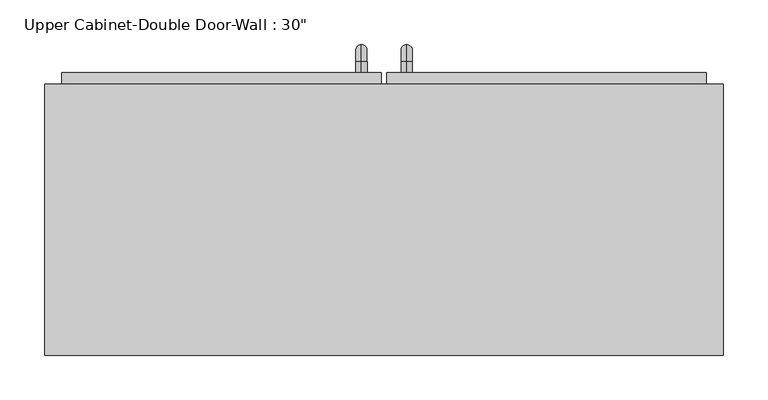
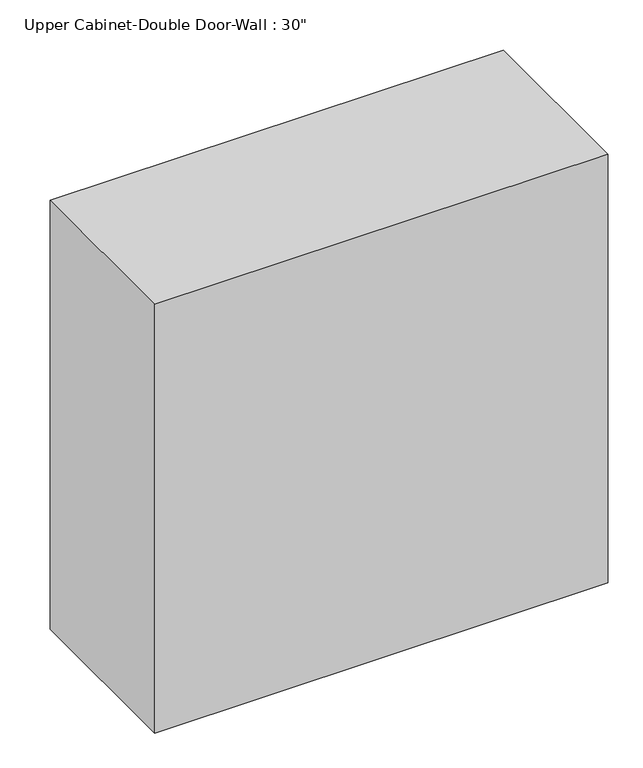
"""IFC4 building model written with IfcOpenShell, lengths in millimetres: furniture geometry."""

from ifc_helpers import new_model, si_unit, point, frame, origin, place, context, project, spatial, polyline, circle_curve, ellipse_curve, trimmed, outline, extrude, faceted_brep, source, transform, mapped, element, save
from ifc_brep_helpers import plane_surface, cylinder_surface, revolved_surface, advanced_brep


def furniture_5cbfb67e(model_context):
    return source(origin(), model_context, "Body", "SolidModel", [
        faceted_brep([(-351.2288372, 104.775, 2133.6), (-351.2288372, 104.775, 1371.6), (410.7711628, 104.775, 1371.6), (410.7711628, 104.775, 2133.6), (-351.2288372, 409.575, 2133.6), (410.7711628, 409.575, 2133.6), (410.7711628, 409.575, 1371.6), (-351.2288372, 409.575, 1371.6), (-332.1788372, 409.575, 2114.55), (-332.1788372, 409.575, 1390.65), (391.7211628, 409.575, 1390.65), (391.7211628, 409.575, 2114.55), (391.7211628, 123.825, 2114.55), (-332.1788372, 123.825, 2114.55), (391.7211628, 123.825, 1390.65), (-332.1788372, 123.825, 1390.65)], [[[0, 1, 2, 3]], [[4, 5, 6, 7], [8, 9, 10, 11]], [[1, 0, 4, 7]], [[2, 1, 7, 6]], [[3, 2, 6, 5]], [[0, 3, 5, 4]], [[8, 11, 12, 13]], [[11, 10, 14, 12]], [[10, 9, 15, 14]], [[9, 8, 13, 15]], [[13, 12, 14, 15]]]),
        advanced_brep(
        [(55.1711628, 422.275, 1517.65), (55.1711628, 422.275, 1530.35), (55.1711628, 434.975, 1517.65), (55.1711628, 434.975, 1530.35), (55.1711628, 454.025, 1511.3), (55.1711628, 441.325, 1511.3), (55.1711628, 441.325, 1435.1), (55.1711628, 454.025, 1435.1), (55.1711628, 434.975, 1416.05), (55.1711628, 434.975, 1428.75), (55.1711628, 422.275, 1428.75), (55.1711628, 422.275, 1416.05)],
        [
            (0, 1, circle_curve(frame((55.1711628, 422.275, 1524.0), z_axis=(0.0, -1.0, 0.0), x_axis=(0.0, 0.0, -1.0)), 6.35)),
            (1, 0, circle_curve(frame((55.1711628, 422.275, 1524.0), z_axis=(0.0, -1.0, 0.0), x_axis=(0.0, 0.0, -1.0)), 6.35)),
            (0, 2),
            (2, 3, circle_curve(frame((55.1711628, 434.975, 1524.0), z_axis=(0.0, -1.0, 0.0), x_axis=(0.0, 0.0, -1.0)), 6.35)),
            (3, 1),
            (3, 2, circle_curve(frame((55.1711628, 434.975, 1524.0), z_axis=(0.0, -1.0, 0.0), x_axis=(0.0, 0.0, -1.0)), 6.35)),
            (4, 3, circle_curve(frame((55.1711628, 434.975, 1511.3), z_axis=(1.0, 0.0, 0.0), x_axis=(0.0, 0.0, 1.0)), 19.05)),
            (2, 5, circle_curve(frame((55.1711628, 434.975, 1511.3), z_axis=(-1.0, 0.0, 0.0), x_axis=(0.0, 0.0, 1.0)), 6.35)),
            (5, 4, circle_curve(frame((55.1711628, 447.675, 1511.3), z_axis=(0.0, 0.0, 1.0), x_axis=(0.0, -1.0, 0.0)), 6.35)),
            (4, 5, circle_curve(frame((55.1711628, 447.675, 1511.3), z_axis=(0.0, 0.0, 1.0), x_axis=(0.0, -1.0, 0.0)), 6.35)),
            (5, 6),
            (6, 7, circle_curve(frame((55.1711628, 447.675, 1435.1), z_axis=(0.0, 0.0, 1.0), x_axis=(0.0, -1.0, 0.0)), 6.35)),
            (7, 4),
            (7, 6, circle_curve(frame((55.1711628, 447.675, 1435.1), z_axis=(0.0, 0.0, 1.0), x_axis=(0.0, -1.0, 0.0)), 6.35)),
            (8, 7, circle_curve(frame((55.1711628, 434.975, 1435.1), z_axis=(1.0, 0.0, 0.0), x_axis=(0.0, 1.0, 0.0)), 19.05)),
            (6, 9, circle_curve(frame((55.1711628, 434.975, 1435.1), z_axis=(-1.0, 0.0, 0.0), x_axis=(0.0, 1.0, 0.0)), 6.35)),
            (9, 8, circle_curve(frame((55.1711628, 434.975, 1422.4), z_axis=(0.0, 1.0, 0.0), x_axis=(0.0, 0.0, 1.0)), 6.35)),
            (8, 9, circle_curve(frame((55.1711628, 434.975, 1422.4), z_axis=(0.0, 1.0, 0.0), x_axis=(0.0, 0.0, 1.0)), 6.35)),
            (10, 11, circle_curve(frame((55.1711628, 422.275, 1422.4), z_axis=(0.0, -1.0, 0.0), x_axis=(0.0, 0.0, 1.0)), 6.35)),
            (11, 10, circle_curve(frame((55.1711628, 422.275, 1422.4), z_axis=(0.0, -1.0, 0.0), x_axis=(0.0, 0.0, 1.0)), 6.35)),
            (9, 10),
            (11, 8),
        ],
        [
            plane_surface(frame((48.8211628, 422.275, 1524.0), z_axis=(0.0, -1.0, 0.0), x_axis=(0.0, 0.0, 1.0))),
            cylinder_surface(frame((55.1711628, 422.275, 1524.0), z_axis=(0.0, -1.0, 0.0), x_axis=(0.0, 0.0, -1.0)), 6.35),
            revolved_surface(trimmed(ellipse_curve(frame((55.1711628, 434.975, 1524.0), z_axis=(0.0, -1.0, 0.0), x_axis=(0.0, 0.0, -1.0)), 6.35, 6.35), [point((55.1711628, 434.975, 1517.65))], [point((55.1711628, 434.975, 1530.35))], True, "CARTESIAN"), (55.1711628, 434.975, 1511.3), (-1.0, 0.0, 0.0)),
            revolved_surface(trimmed(ellipse_curve(frame((55.1711628, 434.975, 1524.0), z_axis=(0.0, -1.0, 0.0), x_axis=(0.0, 0.0, -1.0)), 6.35, 6.35), [point((55.1711628, 434.975, 1530.35))], [point((55.1711628, 434.975, 1517.65))], True, "CARTESIAN"), (55.1711628, 434.975, 1511.3), (-1.0, 0.0, 0.0)),
            cylinder_surface(frame((55.1711628, 447.675, 1511.3), z_axis=(0.0, 0.0, 1.0), x_axis=(0.0, -1.0, 0.0)), 6.35),
            revolved_surface(trimmed(ellipse_curve(frame((55.1711628, 447.675, 1435.1), z_axis=(0.0, 0.0, 1.0), x_axis=(0.0, -1.0, 0.0)), 6.35, 6.35), [point((55.1711628, 441.325, 1435.1))], [point((55.1711628, 454.025, 1435.1))], True, "CARTESIAN"), (55.1711628, 434.975, 1435.1), (-1.0, 0.0, 0.0)),
            revolved_surface(trimmed(ellipse_curve(frame((55.1711628, 447.675, 1435.1), z_axis=(0.0, 0.0, 1.0), x_axis=(0.0, -1.0, 0.0)), 6.35, 6.35), [point((55.1711628, 454.025, 1435.1))], [point((55.1711628, 441.325, 1435.1))], True, "CARTESIAN"), (55.1711628, 434.975, 1435.1), (-1.0, 0.0, 0.0)),
            plane_surface(frame((48.8211628, 422.275, 1422.4), z_axis=(0.0, -1.0, 0.0), x_axis=(0.0, 0.0, -1.0))),
            cylinder_surface(frame((55.1711628, 434.975, 1422.4), z_axis=(0.0, 1.0, 0.0), x_axis=(0.0, 0.0, 1.0)), 6.35),
        ],
        [
            (0, [[1, 2]]),
            (1, [[-1, 3, 4, 5]]),
            (1, [[-2, -5, 6, -3]]),
            (2, [[7, -4, 8, 9]]),
            (3, [[-8, -6, -7, 10]]),
            (4, [[-9, 11, 12, 13]]),
            (4, [[-10, -13, 14, -11]]),
            (5, [[15, -12, 16, 17]]),
            (6, [[-16, -14, -15, 18]]),
            (7, [[19, 20]]),
            (8, [[-17, 21, -20, 22]]),
            (8, [[-18, -22, -19, -21]]),
        ],
    ),
        advanced_brep(
        [(4.3711628, 422.275, 1517.65), (4.3711628, 422.275, 1530.35), (4.3711628, 434.975, 1517.65), (4.3711628, 434.975, 1530.35), (4.3711628, 454.025, 1511.3), (4.3711628, 441.325, 1511.3), (4.3711628, 441.325, 1435.1), (4.3711628, 454.025, 1435.1), (4.3711628, 434.975, 1416.05), (4.3711628, 434.975, 1428.75), (4.3711628, 422.275, 1428.75), (4.3711628, 422.275, 1416.05)],
        [
            (0, 1, circle_curve(frame((4.3711628, 422.275, 1524.0), z_axis=(0.0, -1.0, 0.0), x_axis=(0.0, 0.0, 1.0)), 6.35)),
            (1, 0, circle_curve(frame((4.3711628, 422.275, 1524.0), z_axis=(0.0, -1.0, 0.0), x_axis=(0.0, 0.0, 1.0)), 6.35)),
            (0, 2),
            (2, 3, circle_curve(frame((4.3711628, 434.975, 1524.0), z_axis=(0.0, -1.0, 0.0), x_axis=(0.0, 0.0, 1.0)), 6.35)),
            (3, 1),
            (3, 2, circle_curve(frame((4.3711628, 434.975, 1524.0), z_axis=(0.0, -1.0, 0.0), x_axis=(0.0, 0.0, 1.0)), 6.35)),
            (4, 3, circle_curve(frame((4.3711628, 434.975, 1511.3), z_axis=(1.0, 0.0, 0.0), x_axis=(0.0, 0.0, 1.0)), 19.05)),
            (2, 5, circle_curve(frame((4.3711628, 434.975, 1511.3), z_axis=(-1.0, 0.0, 0.0), x_axis=(0.0, 0.0, 1.0)), 6.35)),
            (5, 4, circle_curve(frame((4.3711628, 447.675, 1511.3), z_axis=(0.0, 0.0, 1.0), x_axis=(0.0, 1.0, 0.0)), 6.35)),
            (4, 5, circle_curve(frame((4.3711628, 447.675, 1511.3), z_axis=(0.0, 0.0, 1.0), x_axis=(0.0, 1.0, 0.0)), 6.35)),
            (5, 6),
            (6, 7, circle_curve(frame((4.3711628, 447.675, 1435.1), z_axis=(0.0, 0.0, 1.0), x_axis=(0.0, 1.0, 0.0)), 6.35)),
            (7, 4),
            (7, 6, circle_curve(frame((4.3711628, 447.675, 1435.1), z_axis=(0.0, 0.0, 1.0), x_axis=(0.0, 1.0, 0.0)), 6.35)),
            (8, 7, circle_curve(frame((4.3711628, 434.975, 1435.1), z_axis=(1.0, 0.0, 0.0), x_axis=(0.0, 1.0, 0.0)), 19.05)),
            (6, 9, circle_curve(frame((4.3711628, 434.975, 1435.1), z_axis=(-1.0, 0.0, 0.0), x_axis=(0.0, 1.0, 0.0)), 6.35)),
            (9, 8, circle_curve(frame((4.3711628, 434.975, 1422.4), z_axis=(0.0, 1.0, 0.0), x_axis=(0.0, 0.0, -1.0)), 6.35)),
            (8, 9, circle_curve(frame((4.3711628, 434.975, 1422.4), z_axis=(0.0, 1.0, 0.0), x_axis=(0.0, 0.0, -1.0)), 6.35)),
            (10, 11, circle_curve(frame((4.3711628, 422.275, 1422.4), z_axis=(0.0, -1.0, 0.0), x_axis=(0.0, 0.0, -1.0)), 6.35)),
            (11, 10, circle_curve(frame((4.3711628, 422.275, 1422.4), z_axis=(0.0, -1.0, 0.0), x_axis=(0.0, 0.0, -1.0)), 6.35)),
            (9, 10),
            (11, 8),
        ],
        [
            plane_surface(frame((-1.9788372, 422.275, 1524.0), z_axis=(0.0, -1.0, 0.0), x_axis=(0.0, 0.0, 1.0))),
            cylinder_surface(frame((4.3711628, 422.275, 1524.0), z_axis=(0.0, -1.0, 0.0), x_axis=(0.0, 0.0, 1.0)), 6.35),
            revolved_surface(trimmed(ellipse_curve(frame((4.3711628, 434.975, 1524.0), z_axis=(0.0, -1.0, 0.0), x_axis=(0.0, 0.0, 1.0)), 6.35, 6.35), [point((4.3711628, 434.975, 1517.65))], [point((4.3711628, 434.975, 1530.35))], True, "CARTESIAN"), (4.3711628, 434.975, 1511.3), (-1.0, 0.0, 0.0)),
            revolved_surface(trimmed(ellipse_curve(frame((4.3711628, 434.975, 1524.0), z_axis=(0.0, -1.0, 0.0), x_axis=(0.0, 0.0, 1.0)), 6.35, 6.35), [point((4.3711628, 434.975, 1530.35))], [point((4.3711628, 434.975, 1517.65))], True, "CARTESIAN"), (4.3711628, 434.975, 1511.3), (-1.0, 0.0, 0.0)),
            cylinder_surface(frame((4.3711628, 447.675, 1511.3), z_axis=(0.0, 0.0, 1.0), x_axis=(0.0, 1.0, 0.0)), 6.35),
            revolved_surface(trimmed(ellipse_curve(frame((4.3711628, 447.675, 1435.1), z_axis=(0.0, 0.0, 1.0), x_axis=(0.0, 1.0, 0.0)), 6.35, 6.35), [point((4.3711628, 441.325, 1435.1))], [point((4.3711628, 454.025, 1435.1))], True, "CARTESIAN"), (4.3711628, 434.975, 1435.1), (-1.0, 0.0, 0.0)),
            revolved_surface(trimmed(ellipse_curve(frame((4.3711628, 447.675, 1435.1), z_axis=(0.0, 0.0, 1.0), x_axis=(0.0, 1.0, 0.0)), 6.35, 6.35), [point((4.3711628, 454.025, 1435.1))], [point((4.3711628, 441.325, 1435.1))], True, "CARTESIAN"), (4.3711628, 434.975, 1435.1), (-1.0, 0.0, 0.0)),
            plane_surface(frame((-1.9788372, 422.275, 1422.4), z_axis=(0.0, -1.0, 0.0), x_axis=(0.0, 0.0, -1.0))),
            cylinder_surface(frame((4.3711628, 434.975, 1422.4), z_axis=(0.0, 1.0, 0.0), x_axis=(0.0, 0.0, -1.0)), 6.35),
        ],
        [
            (0, [[1, 2]]),
            (1, [[-1, 3, 4, 5]]),
            (1, [[-2, -5, 6, -3]]),
            (2, [[7, -4, 8, 9]]),
            (3, [[-8, -6, -7, 10]]),
            (4, [[-9, 11, 12, 13]]),
            (4, [[-10, -13, 14, -11]]),
            (5, [[15, -12, 16, 17]]),
            (6, [[-16, -14, -15, 18]]),
            (7, [[19, 20]]),
            (8, [[-17, 21, -20, 22]]),
            (8, [[-18, -22, -19, -21]]),
        ],
    ),
        extrude(outline(polyline([(32.9461628, 422.275), (391.7211628, 422.275), (391.7211628, 390.525), (32.9461628, 390.525), (32.9461628, 422.275)])), frame((0.0, 0.0, 1390.65), z_axis=(0.0, 0.0, 1.0), x_axis=(1.0, 0.0, 0.0)), (0.0, 0.0, 1.0), 723.9),
        extrude(outline(polyline([(-332.1788372, 422.275), (26.5961628, 422.275), (26.5961628, 390.525), (-332.1788372, 390.525), (-332.1788372, 422.275)])), frame((0.0, 0.0, 1390.65), z_axis=(0.0, 0.0, 1.0), x_axis=(1.0, 0.0, 0.0)), (0.0, 0.0, 1.0), 723.9),
    ])


if __name__ == "__main__":
    model = new_model("IFC4")
    model_context = context("Model", 3, world=origin())
    ifc_project = project(units=[si_unit("LENGTHUNIT", "METRE", prefix="MILLI")], contexts=[model_context])
    site = spatial("IfcSite", under=ifc_project)
    building = spatial("IfcBuilding", under=site)
    placement = place(None, origin())
    furniture_shape = furniture_5cbfb67e(model_context)
    element("IfcFurniture", 1, ObjectType="Upper Cabinet-Double Door-Wall : 30\"", at=placement, inside=building, context=model_context, shape_type="MappedRepresentation", body=[
        mapped(furniture_shape, transform((0.0, 0.0, 0.0), x_axis=(1.0, 0.0, 0.0), y_axis=(0.0, 1.0, 0.0), z_axis=(0.0, 0.0, 1.0))),
    ])
    save(model, "model.ifc")
